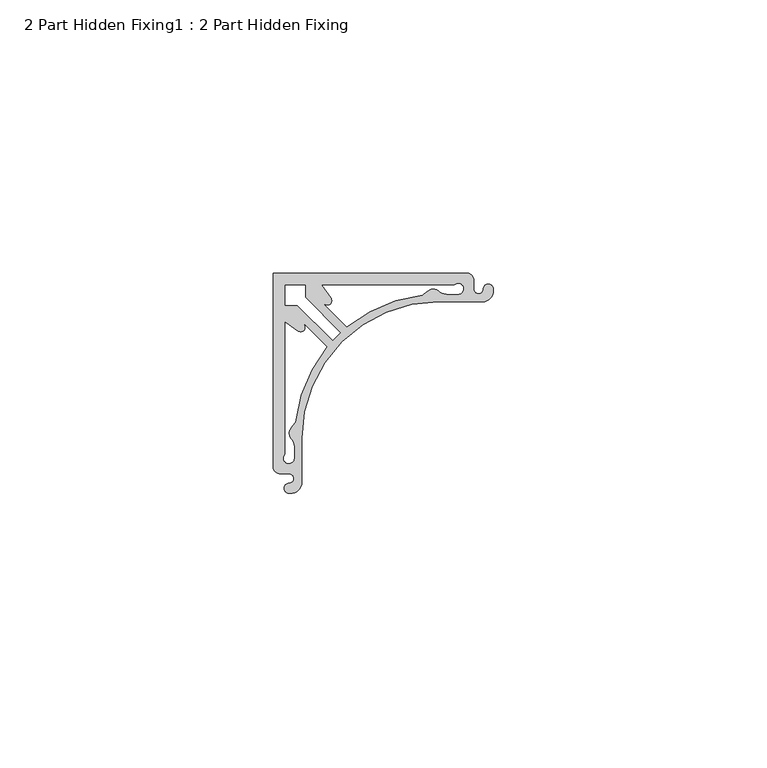
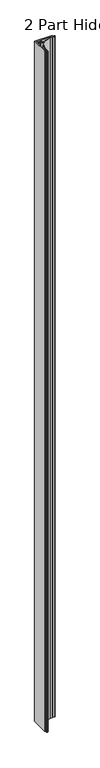
"""IFC4 building model written with IfcOpenShell, lengths in millimetres: proxy geometry, 2 Part Hidden Fixing1 : 2 Part Hidden Fixing."""

import ifcopenshell
import ifcopenshell.guid

model = None  # the IFC model being written
_history = None  # IfcOwnerHistory: only IFC2X3 demands one
_inside = {}  # id of a spatial element -> (the spatial element, [elements in it])
_under = {}  # id of a project, library or spatial element -> (it, [spatial elements below it])
_declared = {}  # id of a project -> (the project, [libraries it declares])
_typed = {}  # id of a type object -> (the type object, [elements of that type])
_made_of = {}  # id of a material, layer set ... -> (it, [elements and type objects made of it])


def new_model(schema):
    """Start an empty IFC model of exactly this schema.

    Asked for "IFC4X3", IfcOpenShell would pick the latest addendum, in which some entities
    have other attributes; the version numbers below select the first issue.
    IFC2X3 requires an IfcOwnerHistory on every rooted entity: one is made here for all.
    """
    global model, _history
    if schema == "IFC4X3":
        model = ifcopenshell.file(schema_version=(4, 3, 0, 0))
    else:
        model = ifcopenshell.file(schema=schema)
    _inside.clear()
    _under.clear()
    _declared.clear()
    _typed.clear()
    _made_of.clear()
    _history = None
    if model.schema == "IFC2X3":
        org = make("IfcOrganization", Name="unknown")
        user = make(
            "IfcPersonAndOrganization",
            ThePerson=make("IfcPerson", FamilyName="unknown"),
            TheOrganization=org,
        )
        app = make(
            "IfcApplication",
            ApplicationDeveloper=org,
            Version="unknown",
            ApplicationFullName="unknown",
            ApplicationIdentifier="unknown",
        )
        _history = make(
            "IfcOwnerHistory",
            OwningUser=user,
            OwningApplication=app,
            ChangeAction="ADDED",
            CreationDate=0,
        )
    return model


def make(cls, **values):
    """One entity of the class cls with the attributes given. An attribute that is None is left unset."""
    return model.create_entity(
        cls, **{name: value for name, value in values.items() if value is not None}
    )


def rooted(cls, **values):
    """An entity with a GlobalId (a new one), such as an element, a storey or a relation."""
    return make(cls, GlobalId=ifcopenshell.guid.new(), OwnerHistory=_history, **values)


def si_unit(unit_type, name, prefix=None):
    """IfcSIUnit, for example si_unit("LENGTHUNIT", "METRE", prefix="MILLI")."""
    return make("IfcSIUnit", UnitType=unit_type, Prefix=prefix, Name=name)


def assignment(units):
    """IfcUnitAssignment: the units of a project."""
    return None if units is None else make("IfcUnitAssignment", Units=units)


def point(xyz):
    """IfcCartesianPoint."""
    return None if xyz is None else make("IfcCartesianPoint", Coordinates=xyz)


def direction(xyz):
    """IfcDirection."""
    return None if xyz is None else make("IfcDirection", DirectionRatios=xyz)


def frame(location, z_axis=None, x_axis=None):
    """IfcAxis2Placement3D, a coordinate frame: its origin and axes. An axis left out is left unset."""
    return make(
        "IfcAxis2Placement3D",
        Location=point(location),
        Axis=direction(z_axis),
        RefDirection=direction(x_axis),
    )


def frame_2d(location, x_axis=None):
    """IfcAxis2Placement2D, a coordinate frame in the plane: its origin and x axis."""
    return make(
        "IfcAxis2Placement2D", Location=point(location), RefDirection=direction(x_axis)
    )


def origin():
    """The frame at (0, 0, 0) with its axes left unset."""
    return frame((0.0, 0.0, 0.0))


def place(relative_to, where):
    """IfcLocalPlacement: puts the frame where relative to a parent placement (None: the world)."""
    return make(
        "IfcLocalPlacement", PlacementRelTo=relative_to, RelativePlacement=where
    )


def context(
    kind, dimensions, precision=None, world=None, true_north=None, identifier=None
):
    """IfcGeometricRepresentationContext, for example the 3D "Model" context."""
    return make(
        "IfcGeometricRepresentationContext",
        ContextIdentifier=identifier,
        ContextType=kind,
        CoordinateSpaceDimension=dimensions,
        Precision=precision,
        WorldCoordinateSystem=world,
        TrueNorth=true_north,
    )


def project(units=None, contexts=None):
    """IfcProject with its units and contexts."""
    return rooted(
        "IfcProject",
        Name="project",
        RepresentationContexts=contexts,
        UnitsInContext=assignment(units),
    )


def spatial(cls, under=None, at=None, **own):
    """A site, building, storey or space (cls), placed at a placement, below another one or the project."""
    s = rooted(cls, ObjectPlacement=at, **own)
    if under is not None:
        _under.setdefault(under.id(), (under, []))[1].append(s)
    return s


def polyline(points):
    """IfcPolyline through the points."""
    return make("IfcPolyline", Points=[point(p) for p in points])


def circle_curve(where, radius):
    """IfcCircle in the frame where."""
    return make("IfcCircle", Position=where, Radius=radius)


def trimmed(basis, trim1, trim2, sense, master):
    """IfcTrimmedCurve: the piece of a basis curve between two trims."""
    return make(
        "IfcTrimmedCurve",
        BasisCurve=basis,
        Trim1=trim1,
        Trim2=trim2,
        SenseAgreement=sense,
        MasterRepresentation=master,
    )


def segment(curve, same_sense, transition):
    """IfcCompositeCurveSegment."""
    return make(
        "IfcCompositeCurveSegment",
        Transition=transition,
        SameSense=same_sense,
        ParentCurve=curve,
    )


def composite_curve(segments, self_intersect=None):
    """IfcCompositeCurve: segments joined end to end."""
    return make("IfcCompositeCurve", Segments=segments, SelfIntersect=self_intersect)


def outline(outer, holes=None, kind="AREA"):
    """IfcArbitraryClosedProfileDef: a profile drawn as a closed curve; with holes, ...WithVoids."""
    if holes is None:
        return make("IfcArbitraryClosedProfileDef", ProfileType=kind, OuterCurve=outer)
    return make(
        "IfcArbitraryProfileDefWithVoids",
        ProfileType=kind,
        OuterCurve=outer,
        InnerCurves=holes,
    )


def extrude(swept, where, along, depth):
    """IfcExtrudedAreaSolid: the profile swept, set in the frame where, extruded along a direction by depth."""
    return make(
        "IfcExtrudedAreaSolid",
        SweptArea=swept,
        Position=where,
        ExtrudedDirection=direction(along),
        Depth=depth,
    )


def shape(context_of_items, identifier, shape_type, items):
    """IfcShapeRepresentation: the items that make up one representation, for example the "Body"."""
    return make(
        "IfcShapeRepresentation",
        ContextOfItems=context_of_items,
        RepresentationIdentifier=identifier,
        RepresentationType=shape_type,
        Items=items,
    )


def source(mapping_origin, context_of_items, identifier, shape_type, items):
    """IfcRepresentationMap: a shape defined once, which mapped items show again and again."""
    return make(
        "IfcRepresentationMap",
        MappingOrigin=mapping_origin,
        MappedRepresentation=shape(context_of_items, identifier, shape_type, items),
    )


def transform(
    local_origin,
    x_axis=None,
    y_axis=None,
    z_axis=None,
    scale=None,
    scale2=None,
    scale3=None,
    uniform=True,
):
    """IfcCartesianTransformationOperator3D, or its non-uniform kind. x_axis, y_axis, z_axis: its Axis1, 2, 3."""
    if uniform:
        return make(
            "IfcCartesianTransformationOperator3D",
            Axis1=direction(x_axis),
            Axis2=direction(y_axis),
            LocalOrigin=point(local_origin),
            Scale=scale,
            Axis3=direction(z_axis),
        )
    return make(
        "IfcCartesianTransformationOperator3DnonUniform",
        Axis1=direction(x_axis),
        Axis2=direction(y_axis),
        LocalOrigin=point(local_origin),
        Scale=scale,
        Axis3=direction(z_axis),
        Scale2=scale2,
        Scale3=scale3,
    )


def mapped(mapping_source, mapping_target):
    """IfcMappedItem: shows the shape of a source again, moved by a transform."""
    return make(
        "IfcMappedItem", MappingSource=mapping_source, MappingTarget=mapping_target
    )


def made_of(thing, what):
    """Note that an element or type object is made of a material, layer set ...; save() writes the relation."""
    if what is not None:
        _made_of.setdefault(what.id(), (what, []))[1].append(thing)
    return thing


def element(
    cls,
    number,
    at=None,
    inside=None,
    cuts=None,
    type_object=None,
    material=None,
    context=None,
    identifier="Body",
    shape_type=None,
    held_by="IfcProductDefinitionShape",
    body=None,
    shapes=None,
    **own,
):
    """One element of the class cls, such as IfcWall. Its Tag is "e" and its number.

    at: its placement. inside: the storey or other place that contains it. cuts: it is an
    opening in that element (IfcRelVoidsElement). A single representation is given by context,
    identifier, shape_type and body (its items); several are given by shapes. held_by: the class
    of the entity that holds the representations. save() writes the other relations.
    """
    e = rooted(cls, Tag="e%d" % number, ObjectPlacement=at, **own)
    if body is not None:
        shapes = [shape(context, identifier, shape_type, body)]
    if shapes is not None:
        e.Representation = make(held_by, Representations=shapes)
    if inside is not None:
        _inside.setdefault(inside.id(), (inside, []))[1].append(e)
    if cuts is not None:
        rooted(
            "IfcRelVoidsElement", RelatingBuildingElement=cuts, RelatedOpeningElement=e
        )
    if type_object is not None:
        _typed.setdefault(type_object.id(), (type_object, []))[1].append(e)
    return made_of(e, material)


def aggregate(whole, parts):
    """IfcRelAggregates: a whole, such as a stair, and the parts it consists of."""
    return rooted("IfcRelAggregates", RelatingObject=whole, RelatedObjects=parts)


def save(model, path):
    """Write the relations noted so far, then the file.

    IfcRelAggregates (storeys below a building ...), IfcRelContainedInSpatialStructure (elements
    in a storey), IfcRelDefinesByType, IfcRelAssociatesMaterial and IfcRelDeclares: one each for
    every whole, place, type object, material and project.
    """
    for whole, parts in _under.values():
        aggregate(whole, parts)
    for where, things in _inside.values():
        rooted(
            "IfcRelContainedInSpatialStructure",
            RelatedElements=things,
            RelatingStructure=where,
        )
    for kind, things in _typed.values():
        rooted("IfcRelDefinesByType", RelatedObjects=things, RelatingType=kind)
    for what, things in _made_of.values():
        rooted("IfcRelAssociatesMaterial", RelatedObjects=things, RelatingMaterial=what)
    for by, libraries in _declared.values():
        rooted("IfcRelDeclares", RelatingContext=by, RelatedDefinitions=libraries)
    model.write(path)


def proxy_2_part_hidden_fixing1_2_part_hidden_fixing_4faafa59(model_context):
    return source(origin(), model_context, "Body", "SweptSolid", [
        extrude(outline(composite_curve([segment(trimmed(circle_curve(frame_2d((-1875.4488665, 877.4348481)), 25.0), [point((-1875.4488665, 902.4348481))], [point((-1900.4488665, 877.4348481))], True, "CARTESIAN"), True, "CONTINUOUS"), segment(polyline([(-1900.4488665, 877.4348481), (-1900.4488665, 869.3848481)]), True, "CONTINUOUS"), segment(trimmed(circle_curve(frame_2d((-1902.4895505, 869.3848481)), 2.040684), [point((-1900.4488665, 869.3848481))], [point((-1902.9901076, 867.4065069))], False, "CARTESIAN"), True, "CONTINUOUS"), segment(trimmed(circle_curve(frame_2d((-1902.7646733, 868.2974862)), 0.9190564), [point((-1902.9901076, 867.4065069))], [point((-1902.7893427, 869.2162114))], False, "CARTESIAN"), True, "CONTINUOUS"), segment(trimmed(circle_curve(frame_2d((-1902.8130249, 870.0981692)), 0.8822757), [point((-1902.7893427, 869.2162114))], [point((-1902.8178806, 870.9804315))], True, "CARTESIAN"), True, "CONTINUOUS"), segment(polyline([(-1902.8178806, 870.9804315), (-1904.6008493, 870.9848505)]), True, "CONTINUOUS"), segment(trimmed(circle_curve(frame_2d((-1904.4478436, 872.2398637)), 1.2643057), [point((-1904.6008493, 870.9848505))], [point((-1905.6488665, 872.6348481))], False, "CARTESIAN"), True, "CONTINUOUS"), segment(polyline([(-1905.6488665, 872.6348481), (-1905.6488665, 907.6348481), (-1870.6488665, 907.6348481)]), True, "CONTINUOUS"), segment(trimmed(circle_curve(frame_2d((-1870.2538822, 906.4338251)), 1.2643057), [point((-1870.6488665, 907.6348481))], [point((-1868.998869, 906.5868308))], False, "CARTESIAN"), True, "CONTINUOUS"), segment(polyline([(-1868.998869, 906.5868308), (-1868.99445, 904.8038621)]), True, "CONTINUOUS"), segment(trimmed(circle_curve(frame_2d((-1868.1121877, 904.7990064)), 0.8822757), [point((-1868.99445, 904.8038621))], [point((-1867.2302299, 904.7753243))], True, "CARTESIAN"), True, "CONTINUOUS"), segment(trimmed(circle_curve(frame_2d((-1866.3115046, 904.7506548)), 0.9190564), [point((-1867.2302299, 904.7753243))], [point((-1865.4205254, 904.9760891))], False, "CARTESIAN"), True, "CONTINUOUS"), segment(trimmed(circle_curve(frame_2d((-1867.3988665, 904.4755321)), 2.040684), [point((-1865.4205254, 904.9760891))], [point((-1867.3988665, 902.4348481))], False, "CARTESIAN"), True, "CONTINUOUS"), segment(polyline([(-1867.3988665, 902.4348481), (-1875.4488665, 902.4348481)]), True, "CONTINUOUS")], self_intersect=False), holes=[composite_curve([segment(polyline([(-1893.3959818, 896.7961769), (-1899.8540852, 903.2542803), (-1899.8540852, 905.4348481), (-1903.4488665, 905.4348481), (-1903.4488665, 901.8400667), (-1901.2682988, 901.8400667), (-1894.8101954, 895.3819633)]), True, "CONTINUOUS"), segment(trimmed(circle_curve(frame_2d((-1875.4488665, 877.4348481)), 26.4), [point((-1894.8101954, 895.3819633))], [point((-1893.3959818, 896.7961769))], False, "CARTESIAN"), True, "CONTINUOUS")], self_intersect=False), composite_curve([segment(trimmed(circle_curve(frame_2d((-1871.8235324, 904.8030406)), 0.9753373), [point((-1871.9413714, 903.8348481))], [point((-1872.5665682, 905.4348481))], True, "CARTESIAN"), True, "CONTINUOUS"), segment(polyline([(-1872.5665682, 905.4348481), (-1896.6682077, 905.4348481), (-1895.0721909, 903.1392907)]), True, "CONTINUOUS"), segment(trimmed(circle_curve(frame_2d((-1895.7812734, 902.6462917)), 0.8636238), [point((-1895.0721909, 903.1392907))], [point((-1896.2742724, 901.9372092))], False, "CARTESIAN"), True, "CONTINUOUS"), segment(polyline([(-1896.2742724, 901.9372092), (-1892.1872563, 897.850193)]), True, "CONTINUOUS"), segment(trimmed(circle_curve(frame_2d((-1875.4488665, 877.4348481)), 26.4), [point((-1892.1872563, 897.850193))], [point((-1878.4433152, 903.664474))], False, "CARTESIAN"), True, "CONTINUOUS"), segment(trimmed(circle_curve(frame_2d((-1873.2590246, 897.7016489)), 7.901402), [point((-1878.4433152, 903.664474))], [point((-1877.0488665, 904.6348481))], False, "CARTESIAN"), True, "CONTINUOUS"), segment(trimmed(circle_curve(frame_2d((-1876.3746748, 903.4014705)), 1.4056154), [point((-1877.0488665, 904.6348481))], [point((-1875.4038426, 904.4179545))], False, "CARTESIAN"), True, "CONTINUOUS"), segment(trimmed(circle_curve(frame_2d((-1873.9490683, 905.9411372)), 2.1062891), [point((-1875.4038426, 904.4179545))], [point((-1873.9490683, 903.8348481))], True, "CARTESIAN"), True, "CONTINUOUS"), segment(polyline([(-1873.9490683, 903.8348481), (-1871.9413714, 903.8348481)]), True, "CONTINUOUS")], self_intersect=False), composite_curve([segment(polyline([(-1895.8642115, 894.1732378), (-1899.9512277, 898.2602539)]), True, "CONTINUOUS"), segment(trimmed(circle_curve(frame_2d((-1900.6603101, 897.7672549)), 0.8636238), [point((-1899.9512277, 898.2602539))], [point((-1901.1533092, 897.0581724))], False, "CARTESIAN"), True, "CONTINUOUS"), segment(polyline([(-1901.1533092, 897.0581724), (-1903.4488665, 898.6541893), (-1903.4488665, 874.5525497)]), True, "CONTINUOUS"), segment(trimmed(circle_curve(frame_2d((-1902.8170591, 873.8095139)), 0.9753373), [point((-1903.4488665, 874.5525497))], [point((-1901.8488665, 873.9273529))], True, "CARTESIAN"), True, "CONTINUOUS"), segment(polyline([(-1901.8488665, 873.9273529), (-1901.8488665, 875.9350498)]), True, "CONTINUOUS"), segment(trimmed(circle_curve(frame_2d((-1903.9551556, 875.9350498)), 2.1062891), [point((-1901.8488665, 875.9350498))], [point((-1902.431973, 877.3898241))], True, "CARTESIAN"), True, "CONTINUOUS"), segment(trimmed(circle_curve(frame_2d((-1901.415489, 878.3606563)), 1.4056154), [point((-1902.431973, 877.3898241))], [point((-1902.6488665, 879.0348481))], False, "CARTESIAN"), True, "CONTINUOUS"), segment(trimmed(circle_curve(frame_2d((-1895.7156674, 875.2450061)), 7.901402), [point((-1902.6488665, 879.0348481))], [point((-1901.6784925, 880.4292968))], False, "CARTESIAN"), True, "CONTINUOUS"), segment(trimmed(circle_curve(frame_2d((-1875.4488665, 877.4348481)), 26.4), [point((-1901.6784925, 880.4292968))], [point((-1895.8642115, 894.1732378))], False, "CARTESIAN"), True, "CONTINUOUS")], self_intersect=False)]), frame((0.0, 0.0, -163.8351777), z_axis=(0.0, 0.0, 1.0), x_axis=(1.0, 0.0, 0.0)), (0.0, 0.0, 1.0), 1500.0),
    ])


if __name__ == "__main__":
    model = new_model("IFC4")
    model_context = context("Model", 3, world=origin())
    ifc_project = project(units=[si_unit("LENGTHUNIT", "METRE", prefix="MILLI")], contexts=[model_context])
    site = spatial("IfcSite", under=ifc_project)
    building = spatial("IfcBuilding", under=site)
    placement = place(None, origin())
    proxy_2_part_hidden_fixing1_2_part_hidden_fixing_shape = proxy_2_part_hidden_fixing1_2_part_hidden_fixing_4faafa59(model_context)
    element("IfcBuildingElementProxy", 1, Name="2 Part Hidden Fixing1 : 2 Part Hidden Fixing", ObjectType="2 Part Hidden Fixing1 : 2 Part Hidden Fixing", at=placement, inside=building, context=model_context, shape_type="MappedRepresentation", body=[
        mapped(proxy_2_part_hidden_fixing1_2_part_hidden_fixing_shape, transform((0.0, 0.0, 0.0), x_axis=(1.0, 0.0, 0.0), y_axis=(0.0, 1.0, 0.0), z_axis=(0.0, 0.0, 1.0))),
    ])
    save(model, "model.ifc")
